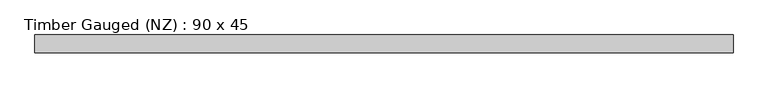
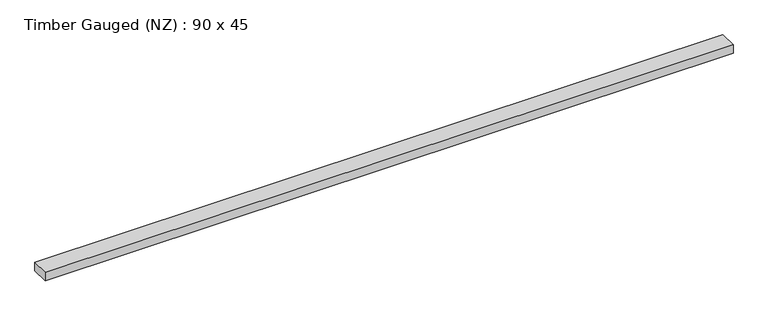
"""IFC4 building model written with IfcOpenShell, lengths in millimetres: beam geometry, Timber Gauged (NZ) : 90 x 45."""

from ifc_helpers import new_model, si_unit, frame, origin, place, context, project, spatial, polyline, outline, extrude, source, transform, mapped, element, save


def timber_gauged_nz_90_x_45_0cdd3e08(model_context):
    return source(origin(), model_context, "Body", "SweptSolid", [
        extrude(outline(polyline([(1786.3395946, 45.0), (1786.3395946, -45.0), (-1742.2739244, -45.0), (-1742.2739244, 45.0), (1786.3395946, 45.0)])), frame((0.0, 0.0, -22.5), z_axis=(0.0, 0.0, 1.0), x_axis=(1.0, 0.0, 0.0)), (0.0, 0.0, 1.0), 45.0),
    ])


if __name__ == "__main__":
    model = new_model("IFC4")
    model_context = context("Model", 3, world=origin())
    ifc_project = project(units=[si_unit("LENGTHUNIT", "METRE", prefix="MILLI")], contexts=[model_context])
    site = spatial("IfcSite", under=ifc_project)
    building = spatial("IfcBuilding", under=site)
    placement = place(None, origin())
    timber_gauged_nz_90_x_45_shape = timber_gauged_nz_90_x_45_0cdd3e08(model_context)
    element("IfcBeam", 1, ObjectType="Timber Gauged (NZ) : 90 x 45", at=placement, inside=building, context=model_context, shape_type="MappedRepresentation", body=[
        mapped(timber_gauged_nz_90_x_45_shape, transform((0.0, 0.0, 0.0), x_axis=(1.0, 0.0, 0.0), y_axis=(0.0, 1.0, 0.0), z_axis=(0.0, 0.0, 1.0))),
    ])
    save(model, "model.ifc")
